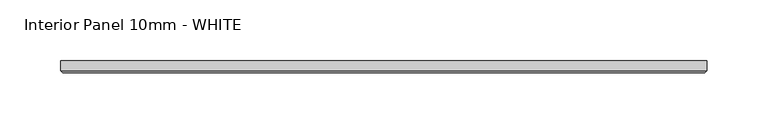
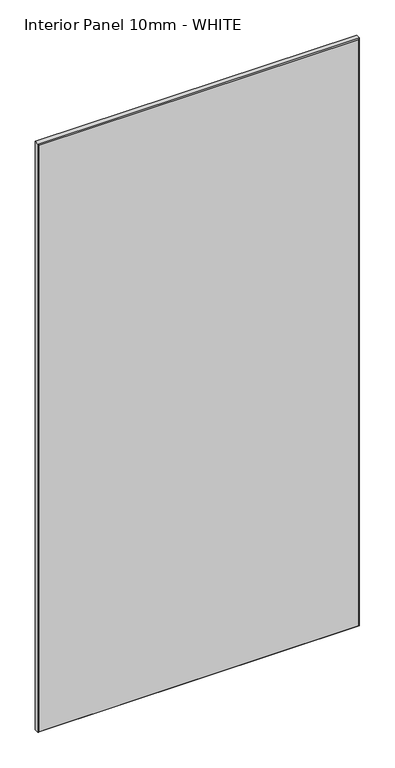
"""IFC4 building model written with IfcOpenShell, lengths in millimetres: proxy geometry, Interior Panel 10mm - WHITE."""

from ifc_helpers import new_model, si_unit, origin, place, context, project, spatial, faceted_brep, source, transform, mapped, element, save


def interior_panel_10mm_white_0558681d(model_context):
    return source(origin(), model_context, "Body", "Brep", [
        faceted_brep([(457.2, 3.175, 1025.525), (-73.025, 3.175, 1025.525), (-73.025, -4.7625, 1025.525), (457.2, -4.7625, 1025.525), (457.2, 3.175, 0.0), (457.2, -4.7625, 0.0), (-73.025, -4.7625, 0.0), (-73.025, 3.175, 0.0), (-71.4375, -6.35, 1023.9375), (-71.4375, -6.35, 1.5875), (455.6125, -6.35, 1.5875), (455.6125, -6.35, 1023.9375)], [[[0, 1, 2, 3]], [[4, 5, 6, 7]], [[1, 0, 4, 7]], [[2, 1, 7, 6]], [[8, 9, 10, 11]], [[0, 3, 5, 4]], [[2, 6, 9, 8]], [[5, 3, 11, 10]], [[3, 2, 8, 11]], [[6, 5, 10, 9]]]),
    ])


if __name__ == "__main__":
    model = new_model("IFC4")
    model_context = context("Model", 3, world=origin())
    ifc_project = project(units=[si_unit("LENGTHUNIT", "METRE", prefix="MILLI")], contexts=[model_context])
    site = spatial("IfcSite", under=ifc_project)
    building = spatial("IfcBuilding", under=site)
    placement = place(None, origin())
    interior_panel_10mm_white_shape = interior_panel_10mm_white_0558681d(model_context)
    element("IfcBuildingElementProxy", 1, Name="Interior Panel 10mm - WHITE", ObjectType="Interior Panel 10mm - WHITE", at=placement, inside=building, context=model_context, shape_type="MappedRepresentation", body=[
        mapped(interior_panel_10mm_white_shape, transform((0.0, 0.0, 0.0), x_axis=(1.0, 0.0, 0.0), y_axis=(0.0, 1.0, 0.0), z_axis=(0.0, 0.0, 1.0))),
    ])
    save(model, "model.ifc")
